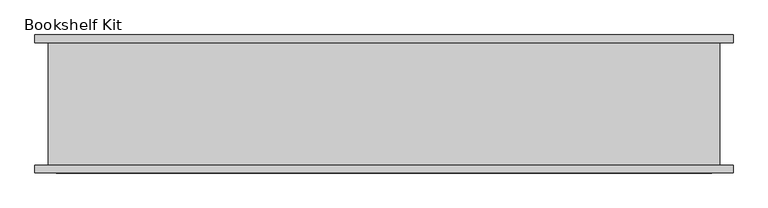
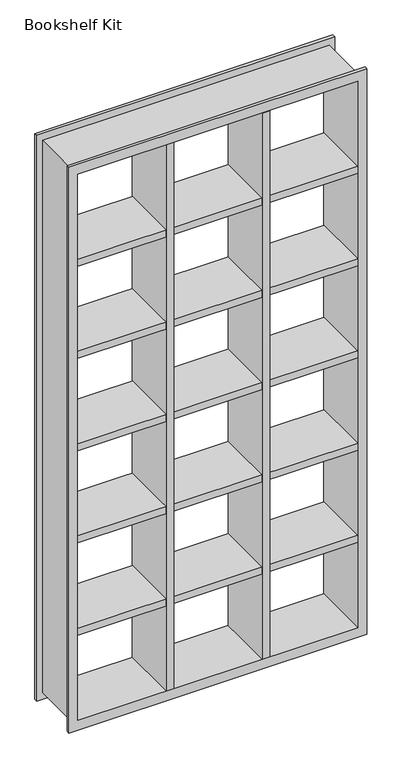
"""IFC4 building model written with IfcOpenShell, lengths in millimetres: proxy geometry, Bookshelf Kit."""

from ifc_helpers import new_model, si_unit, frame, origin, place, context, project, spatial, polyline, outline, extrude, faceted_brep, source, transform, mapped, element, save


def bookshelf_kit_e597eb98(model_context):
    return source(origin(), model_context, "Body", "SolidModel", [
        faceted_brep([(-732.6338588, -10.97958, 3012.6), (-732.6338588, 255.82042, 3012.6), (-732.6338588, 255.82042, 35.4), (-732.6338588, -10.97958, 35.4), (-716.0338588, 272.42042, 2996.0), (-716.0338588, -27.57958, 2996.0), (-716.0338588, -27.57958, 52.0), (-716.0338588, 272.42042, 52.0), (-762.0338588, 272.42042, 0.0), (756.9105412, 272.42042, 0.0), (756.9105412, 255.82042, 0.0), (-762.0338588, 255.82042, 0.0), (727.5105412, 255.82042, 35.4), (727.5105412, -10.97958, 35.4), (-762.0338588, -10.97958, 0.0), (756.9105412, -10.97958, 0.0), (756.9105412, -27.57958, 0.0), (-762.0338588, -27.57958, 0.0), (710.9105412, -27.57958, 52.0), (710.9105412, 272.42042, 52.0), (727.5105412, 255.82042, 3012.6), (727.5105412, -10.97958, 3012.6), (710.9105412, -27.57958, 2996.0), (710.9105412, 272.42042, 2996.0), (-762.0338588, 272.42042, 3048.0), (756.9105412, 272.42042, 3048.0), (-762.0338588, 255.82042, 3048.0), (756.9105412, 255.82042, 3048.0), (-762.0338588, -10.97958, 3048.0), (756.9105412, -10.97958, 3048.0), (-762.0338588, -27.57958, 3048.0), (756.9105412, -27.57958, 3048.0)], [[[0, 1, 2, 3]], [[4, 5, 6, 7]], [[8, 9, 10, 11]], [[3, 2, 12, 13]], [[14, 15, 16, 17]], [[7, 6, 18, 19]], [[13, 12, 20, 21]], [[19, 18, 22, 23]], [[9, 8, 24, 25], [4, 7, 19, 23]], [[25, 24, 26, 27]], [[11, 10, 27, 26], [2, 1, 20, 12]], [[1, 0, 21, 20]], [[15, 14, 28, 29], [0, 3, 13, 21]], [[29, 28, 30, 31]], [[17, 16, 31, 30], [6, 5, 22, 18]], [[5, 4, 23, 22]], [[8, 11, 26, 24]], [[14, 17, 30, 28]], [[10, 9, 25, 27]], [[16, 15, 29, 31]]]),
        extrude(outline(polyline([(-227.6899588, 272.42042), (-227.6899588, -27.57958), (-265.7899588, -27.57958), (-265.7899588, 272.42042), (-227.6899588, 272.42042)])), frame((0.0, 0.0, 52.0), z_axis=(0.0, 0.0, 1.0), x_axis=(1.0, 0.0, 0.0)), (0.0, 0.0, 1.0), 2944.0),
        extrude(outline(polyline([(260.6666412, 272.42042), (260.6666412, -27.57958), (222.5666412, -27.57958), (222.5666412, 272.42042), (260.6666412, 272.42042)])), frame((0.0, 0.0, 52.0), z_axis=(0.0, 0.0, 1.0), x_axis=(1.0, 0.0, 0.0)), (0.0, 0.0, 1.0), 2944.0),
        extrude(outline(polyline([(-716.0338588, 271.42042), (710.9105412, 271.42042), (710.9105412, -26.57958), (-716.0338588, -26.57958), (-716.0338588, 271.42042)])), frame((0.0, 0.0, 2498.9833333), z_axis=(0.0, 0.0, 1.0), x_axis=(1.0, 0.0, 0.0)), (0.0, 0.0, 1.0), 38.1),
        extrude(outline(polyline([(-716.0338588, 271.42042), (710.9105412, 271.42042), (710.9105412, -26.57958), (-716.0338588, -26.57958), (-716.0338588, 271.42042)])), frame((0.0, 0.0, 2001.9666667), z_axis=(0.0, 0.0, 1.0), x_axis=(1.0, 0.0, 0.0)), (0.0, 0.0, 1.0), 38.1),
        extrude(outline(polyline([(-716.0338588, 271.42042), (710.9105412, 271.42042), (710.9105412, -26.57958), (-716.0338588, -26.57958), (-716.0338588, 271.42042)])), frame((0.0, 0.0, 1504.95), z_axis=(0.0, 0.0, 1.0), x_axis=(1.0, 0.0, 0.0)), (0.0, 0.0, 1.0), 38.1),
        extrude(outline(polyline([(-716.0338588, 271.42042), (710.9105412, 271.42042), (710.9105412, -26.57958), (-716.0338588, -26.57958), (-716.0338588, 271.42042)])), frame((0.0, 0.0, 1007.9333333), z_axis=(0.0, 0.0, 1.0), x_axis=(1.0, 0.0, 0.0)), (0.0, 0.0, 1.0), 38.1),
        extrude(outline(polyline([(-716.0338588, 271.42042), (710.9105412, 271.42042), (710.9105412, -26.57958), (-716.0338588, -26.57958), (-716.0338588, 271.42042)])), frame((0.0, 0.0, 510.9166667), z_axis=(0.0, 0.0, 1.0), x_axis=(1.0, 0.0, 0.0)), (0.0, 0.0, 1.0), 38.1),
    ])


if __name__ == "__main__":
    model = new_model("IFC4")
    model_context = context("Model", 3, world=origin())
    ifc_project = project(units=[si_unit("LENGTHUNIT", "METRE", prefix="MILLI")], contexts=[model_context])
    site = spatial("IfcSite", under=ifc_project)
    building = spatial("IfcBuilding", under=site)
    placement = place(None, origin())
    bookshelf_kit_shape = bookshelf_kit_e597eb98(model_context)
    element("IfcBuildingElementProxy", 1, Name="Bookshelf Kit", ObjectType="Bookshelf Kit", at=placement, inside=building, context=model_context, shape_type="MappedRepresentation", body=[
        mapped(bookshelf_kit_shape, transform((0.0, 0.0, 0.0), x_axis=(1.0, 0.0, 0.0), y_axis=(0.0, 1.0, 0.0), z_axis=(0.0, 0.0, 1.0))),
    ])
    save(model, "model.ifc")
